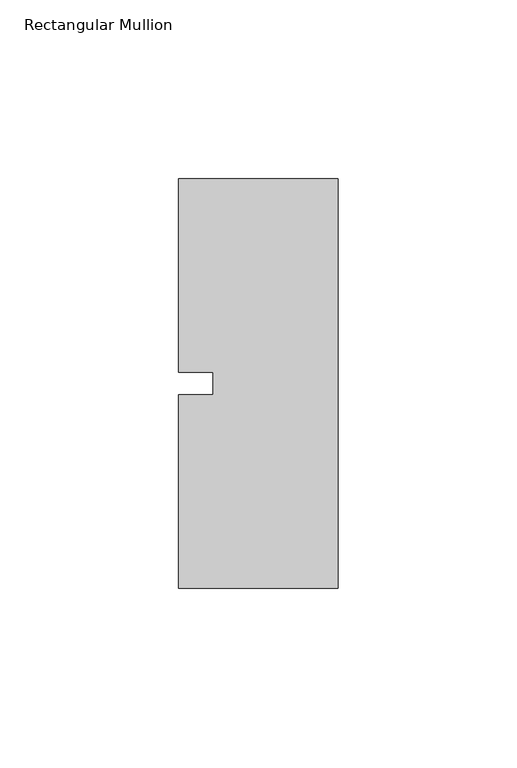
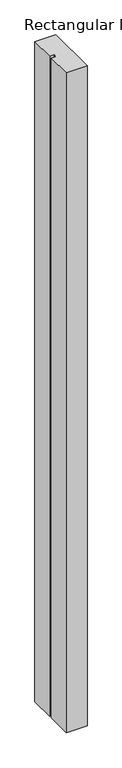
"""IFC4 building model written with IfcOpenShell, lengths in millimetres: member geometry, Rectangular Mullion."""

from ifc_helpers import new_model, si_unit, frame, origin, place, context, project, spatial, polyline, outline, extrude, source, transform, mapped, element, save


def rectangular_mullion_cd2adce6(model_context):
    return source(origin(), model_context, "Body", "SweptSolid", [
        extrude(outline(polyline([(-44.45, -57.1503346), (-44.45, -3.175), (-34.925, -3.175), (-34.925, 3.175), (-44.45, 3.175), (-44.45, 57.1496654), (0.0, 57.1496654), (0.0, -57.1503346), (-44.45, -57.1503346)])), frame((0.0, 0.0, -1479.55), z_axis=(0.0, 0.0, 1.0), x_axis=(1.0, 0.0, 0.0)), (0.0, 0.0, 1.0), 1479.55),
    ])


if __name__ == "__main__":
    model = new_model("IFC4")
    model_context = context("Model", 3, world=origin())
    ifc_project = project(units=[si_unit("LENGTHUNIT", "METRE", prefix="MILLI")], contexts=[model_context])
    site = spatial("IfcSite", under=ifc_project)
    building = spatial("IfcBuilding", under=site)
    placement = place(None, origin())
    rectangular_mullion_shape = rectangular_mullion_cd2adce6(model_context)
    element("IfcMember", 1, ObjectType="Rectangular Mullion", at=placement, inside=building, context=model_context, shape_type="MappedRepresentation", body=[
        mapped(rectangular_mullion_shape, transform((0.0, 0.0, 0.0), x_axis=(1.0, 0.0, 0.0), y_axis=(0.0, 1.0, 0.0), z_axis=(0.0, 0.0, 1.0))),
    ])
    save(model, "model.ifc")
